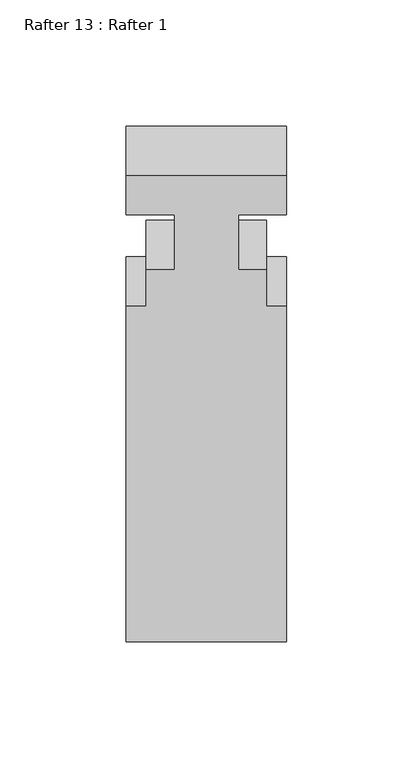
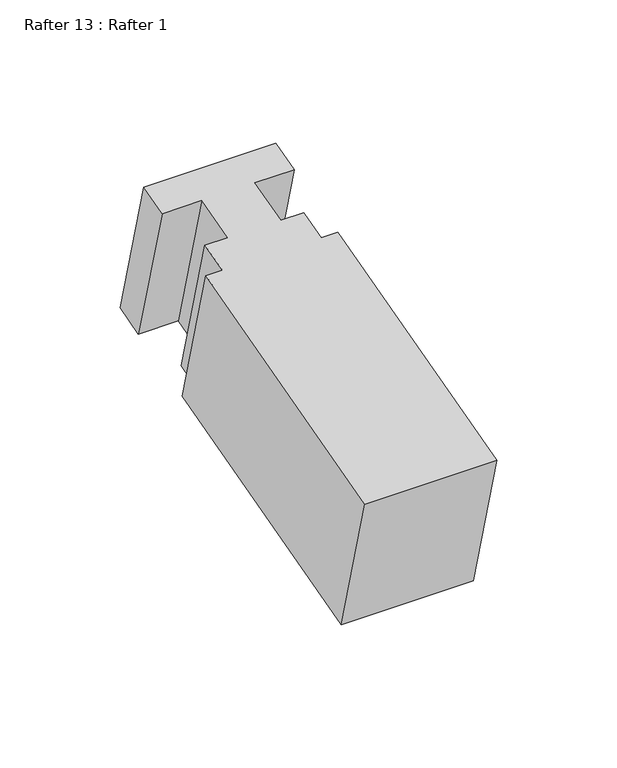
"""IFC4 building model written with IfcOpenShell, lengths in millimetres: proxy geometry, Rafter 13 : Rafter 1."""

from ifc_helpers import new_model, si_unit, frame, origin, place, context, project, spatial, polyline, outline, extrude, source, transform, mapped, element, save


def rafter_13_rafter_1_5186ba92(model_context):
    return source(origin(), model_context, "Body", "SweptSolid", [
        extrude(outline(polyline([(-137.3378, 0.0), (0.0, 0.0), (0.0, -7.9248), (15.0622, -7.9248), (15.0622, -19.05), (37.5412, -19.05), (37.5412, 0.0), (53.4162, 0.0), (53.4162, -63.5), (37.5412, -63.5), (37.5412, -44.45), (15.0622, -44.45), (15.0622, -55.5752), (0.0, -55.5752), (0.0, -63.5), (-137.3378, -63.5), (-137.3378, 0.0)])), frame((-4207.6084739, 3905.1904889, 913.774326), z_axis=(0.0, -0.25881904510252485, 0.9659258262890672), x_axis=(0.0, 0.9659258262890672, 0.25881904510252485)), (0.0, 0.0, 1.0), 75.7296827),
    ])


if __name__ == "__main__":
    model = new_model("IFC4")
    model_context = context("Model", 3, world=origin())
    ifc_project = project(units=[si_unit("LENGTHUNIT", "METRE", prefix="MILLI")], contexts=[model_context])
    site = spatial("IfcSite", under=ifc_project)
    building = spatial("IfcBuilding", under=site)
    placement = place(None, origin())
    rafter_13_rafter_1_shape = rafter_13_rafter_1_5186ba92(model_context)
    element("IfcBuildingElementProxy", 1, Name="Rafter 13 : Rafter 1", ObjectType="Rafter 13 : Rafter 1", at=placement, inside=building, context=model_context, shape_type="MappedRepresentation", body=[
        mapped(rafter_13_rafter_1_shape, transform((0.0, 0.0, 0.0), x_axis=(1.0, 0.0, 0.0), y_axis=(0.0, 1.0, 0.0), z_axis=(0.0, 0.0, 1.0))),
    ])
    save(model, "model.ifc")
